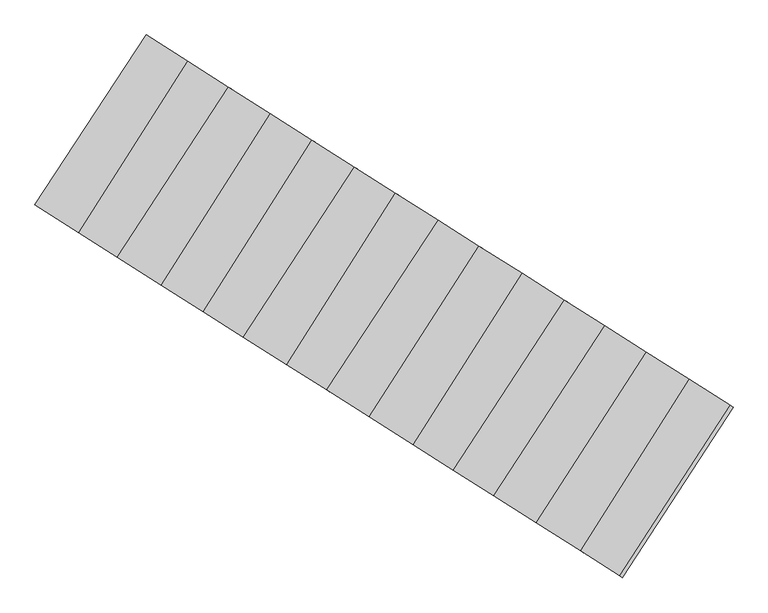
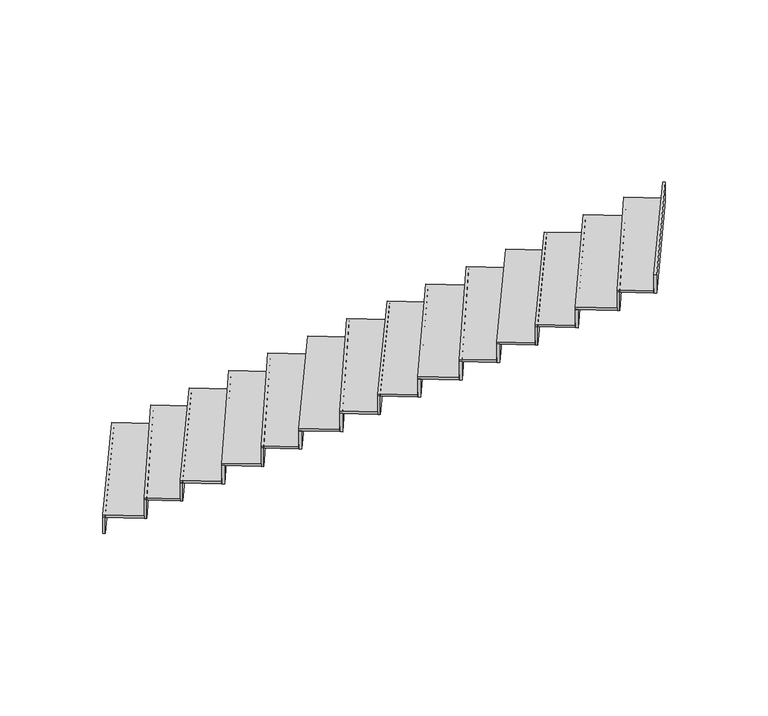
"""IFC4 building model written with IfcOpenShell, lengths in millimetres: stair flight geometry."""

from ifc_helpers import new_model, si_unit, frame, origin, place, context, project, spatial, polyline, outline, extrude, source, transform, mapped, element, save


def stair_flight_29e5afbc(model_context):
    return source(origin(), model_context, "Body", "SweptSolid", [
        extrude(outline(polyline([(-95152.8579667, 11849.6834681), (-95169.7486221, 11860.3970809), (-94518.0182588, 12857.2940315), (-94501.1276034, 12846.5804186), (-95152.8579667, 11849.6834681)])), frame((0.0, 0.0, -2446.5), z_axis=(0.0, 0.0, 1.0), x_axis=(1.0, 0.0, 0.0)), (0.0, 0.0, 1.0), 144.1864079),
        extrude(outline(polyline([(-94273.3338418, 12702.0925865), (-94911.2255683, 11696.4178951), (-95169.7486221, 11860.3970809), (-94518.0182588, 12857.2940315), (-94273.3338418, 12702.0925865)])), frame((0.0, 0.0, -2302.3135921), z_axis=(0.0, 0.0, 1.0), x_axis=(1.0, 0.0, 0.0)), (0.0, 0.0, 1.0), 20.0),
        extrude(outline(polyline([(-94894.3365118, 11685.7052964), (-94911.2255683, 11696.4178951), (-94273.3338418, 12702.0925865), (-94256.4447853, 12691.3799878), (-94894.3365118, 11685.7052964)])), frame((0.0, 0.0, -2302.3135921), z_axis=(0.0, 0.0, 1.0), x_axis=(1.0, 0.0, 0.0)), (0.0, 0.0, 1.0), 164.1864079),
        extrude(outline(polyline([(-94035.9117251, 12551.4975629), (-94687.6420883, 11554.6006124), (-94911.2255683, 11696.4178951), (-94273.3338418, 12702.0925865), (-94035.9117251, 12551.4975629)])), frame((0.0, 0.0, -2138.1271841), z_axis=(0.0, 0.0, 1.0), x_axis=(1.0, 0.0, 0.0)), (0.0, 0.0, 1.0), 20.0),
        extrude(outline(polyline([(-94670.7514329, 11543.8869995), (-94687.6420883, 11554.6006124), (-94035.9117251, 12551.4975629), (-94019.0210697, 12540.78395), (-94670.7514329, 11543.8869995)])), frame((0.0, 0.0, -2138.1271841), z_axis=(0.0, 0.0, 1.0), x_axis=(1.0, 0.0, 0.0)), (0.0, 0.0, 1.0), 164.1864079),
        extrude(outline(polyline([(-93790.860759, 12396.0636187), (-94428.7524855, 11390.3889273), (-94687.6420883, 11554.6006124), (-94035.9117251, 12551.4975629), (-93790.860759, 12396.0636187)])), frame((0.0, 0.0, -1973.9407762), z_axis=(0.0, 0.0, 1.0), x_axis=(1.0, 0.0, 0.0)), (0.0, 0.0, 1.0), 20.0),
        extrude(outline(polyline([(-94411.863429, 11379.6763286), (-94428.7524855, 11390.3889273), (-93790.860759, 12396.0636187), (-93773.9717025, 12385.35102), (-94411.863429, 11379.6763286)])), frame((0.0, 0.0, -1973.9407762), z_axis=(0.0, 0.0, 1.0), x_axis=(1.0, 0.0, 0.0)), (0.0, 0.0, 1.0), 164.1864079),
        extrude(outline(polyline([(-93545.8362889, 12240.6464808), (-94183.7280155, 11234.9717894), (-94428.7524855, 11390.3889273), (-93790.860759, 12396.0636187), (-93545.8362889, 12240.6464808)])), frame((0.0, 0.0, -1809.7543683), z_axis=(0.0, 0.0, 1.0), x_axis=(1.0, 0.0, 0.0)), (0.0, 0.0, 1.0), 20.0),
        extrude(outline(polyline([(-94166.838959, 11224.2591906), (-94183.7280155, 11234.9717894), (-93545.8362889, 12240.6464808), (-93528.9472325, 12229.9338821), (-94166.838959, 11224.2591906)])), frame((0.0, 0.0, -1809.7543683), z_axis=(0.0, 0.0, 1.0), x_axis=(1.0, 0.0, 0.0)), (0.0, 0.0, 1.0), 164.1864079),
        extrude(outline(polyline([(-93297.0741131, 12082.8585447), (-93948.8044763, 11085.9615942), (-94183.7280155, 11234.9717894), (-93545.8362889, 12240.6464808), (-93297.0741131, 12082.8585447)])), frame((0.0, 0.0, -1645.5679604), z_axis=(0.0, 0.0, 1.0), x_axis=(1.0, 0.0, 0.0)), (0.0, 0.0, 1.0), 20.0),
        extrude(outline(polyline([(-93931.9138209, 11075.2479813), (-93948.8044763, 11085.9615942), (-93297.0741131, 12082.8585447), (-93280.1834577, 12072.1449319), (-93931.9138209, 11075.2479813)])), frame((0.0, 0.0, -1645.5679604), z_axis=(0.0, 0.0, 1.0), x_axis=(1.0, 0.0, 0.0)), (0.0, 0.0, 1.0), 164.1864079),
        extrude(outline(polyline([(-93056.0776324, 11929.9963295), (-93693.969359, 10924.3216381), (-93948.8044763, 11085.9615942), (-93297.0741131, 12082.8585447), (-93056.0776324, 11929.9963295)])), frame((0.0, 0.0, -1481.3815524), z_axis=(0.0, 0.0, 1.0), x_axis=(1.0, 0.0, 0.0)), (0.0, 0.0, 1.0), 20.0),
        extrude(outline(polyline([(-93677.0803025, 10913.6090394), (-93693.969359, 10924.3216381), (-93056.0776324, 11929.9963295), (-93039.1885759, 11919.2837308), (-93677.0803025, 10913.6090394)])), frame((0.0, 0.0, -1481.3815524), z_axis=(0.0, 0.0, 1.0), x_axis=(1.0, 0.0, 0.0)), (0.0, 0.0, 1.0), 164.1864079),
        extrude(outline(polyline([(-92803.8099429, 11769.9848731), (-93459.4104347, 10775.5427154), (-93693.969359, 10924.3216381), (-93056.0776324, 11929.9963295), (-92803.8099429, 11769.9848731)])), frame((0.0, 0.0, -1317.1951445), z_axis=(0.0, 0.0, 1.0), x_axis=(1.0, 0.0, 0.0)), (0.0, 0.0, 1.0), 20.0),
        extrude(outline(polyline([(-93442.51876, 10764.828456), (-93459.4104347, 10775.5427154), (-92803.8099429, 11769.9848731), (-92786.9182682, 11759.2706137), (-93442.51876, 10764.828456)])), frame((0.0, 0.0, -1317.1951445), z_axis=(0.0, 0.0, 1.0), x_axis=(1.0, 0.0, 0.0)), (0.0, 0.0, 1.0), 164.1864079),
        extrude(outline(polyline([(-92565.5669299, 11618.8691613), (-93209.2639846, 10616.8767449), (-93459.4104347, 10775.5427154), (-92803.8099429, 11769.9848731), (-92565.5669299, 11618.8691613)])), frame((0.0, 0.0, -1153.0087366), z_axis=(0.0, 0.0, 1.0), x_axis=(1.0, 0.0, 0.0)), (0.0, 0.0, 1.0), 20.0),
        extrude(outline(polyline([(-93192.3746467, 10606.1639677), (-93209.2639846, 10616.8767449), (-92565.5669299, 11618.8691613), (-92548.677592, 11608.1563841), (-93192.3746467, 10606.1639677)])), frame((0.0, 0.0, -1153.0087366), z_axis=(0.0, 0.0, 1.0), x_axis=(1.0, 0.0, 0.0)), (0.0, 0.0, 1.0), 164.1864079),
        extrude(outline(polyline([(-92312.9591471, 11458.6419864), (-92950.8508737, 10452.9672949), (-93209.2639846, 10616.8767449), (-92565.5669299, 11618.8691613), (-92312.9591471, 11458.6419864)])), frame((0.0, 0.0, -988.8223286), z_axis=(0.0, 0.0, 1.0), x_axis=(1.0, 0.0, 0.0)), (0.0, 0.0, 1.0), 20.0),
        extrude(outline(polyline([(-92933.9618172, 10442.2546962), (-92950.8508737, 10452.9672949), (-92312.9591471, 11458.6419864), (-92296.0700906, 11447.9293877), (-92933.9618172, 10442.2546962)])), frame((0.0, 0.0, -988.8223286), z_axis=(0.0, 0.0, 1.0), x_axis=(1.0, 0.0, 0.0)), (0.0, 0.0, 1.0), 164.1864079),
        extrude(outline(polyline([(-92065.9505651, 11301.9663414), (-92717.7830941, 10305.1341939), (-92950.8508737, 10452.9672949), (-92312.9591471, 11458.6419864), (-92065.9505651, 11301.9663414)])), frame((0.0, 0.0, -824.6359207), z_axis=(0.0, 0.0, 1.0), x_axis=(1.0, 0.0, 0.0)), (0.0, 0.0, 1.0), 20.0),
        extrude(outline(polyline([(-92700.892415, 10294.4205659), (-92717.7830941, 10305.1341939), (-92065.9505651, 11301.9663414), (-92049.059886, 11291.2527135), (-92700.892415, 10294.4205659)])), frame((0.0, 0.0, -824.6359207), z_axis=(0.0, 0.0, 1.0), x_axis=(1.0, 0.0, 0.0)), (0.0, 0.0, 1.0), 164.1864079),
        extrude(outline(polyline([(-91827.6109409, 11150.7893498), (-92479.4434699, 10153.9572023), (-92717.7830941, 10305.1341939), (-92065.9505651, 11301.9663414), (-91827.6109409, 11150.7893498)])), frame((0.0, 0.0, -660.4495128), z_axis=(0.0, 0.0, 1.0), x_axis=(1.0, 0.0, 0.0)), (0.0, 0.0, 1.0), 20.0),
        extrude(outline(polyline([(-92462.5527908, 10143.2435743), (-92479.4434699, 10153.9572023), (-91827.6109409, 11150.7893498), (-91810.7202618, 11140.0757219), (-92462.5527908, 10143.2435743)])), frame((0.0, 0.0, -660.4495128), z_axis=(0.0, 0.0, 1.0), x_axis=(1.0, 0.0, 0.0)), (0.0, 0.0, 1.0), 164.1864079),
        extrude(outline(polyline([(-91585.9853332, 10997.5280841), (-92229.6823879, 9995.5356677), (-92479.4434699, 10153.9572023), (-91827.6109409, 11150.7893498), (-91585.9853332, 10997.5280841)])), frame((0.0, 0.0, -496.2631049), z_axis=(0.0, 0.0, 1.0), x_axis=(1.0, 0.0, 0.0)), (0.0, 0.0, 1.0), 20.0),
        extrude(outline(polyline([(-92212.79305, 9984.8228905), (-92229.6823879, 9995.5356677), (-91585.9853332, 10997.5280841), (-91569.0959953, 10986.8153069), (-92212.79305, 9984.8228905)])), frame((0.0, 0.0, -496.2631049), z_axis=(0.0, 0.0, 1.0), x_axis=(1.0, 0.0, 0.0)), (0.0, 0.0, 1.0), 164.1864079),
        extrude(outline(polyline([(-91332.2161697, 10836.5642543), (-91970.1078962, 9830.8895629), (-92229.6823879, 9995.5356677), (-91585.9853332, 10997.5280841), (-91332.2161697, 10836.5642543)])), frame((0.0, 0.0, -332.0766969), z_axis=(0.0, 0.0, 1.0), x_axis=(1.0, 0.0, 0.0)), (0.0, 0.0, 1.0), 20.0),
        extrude(outline(polyline([(-91953.2188397, 9820.1769642), (-91970.1078962, 9830.8895629), (-91332.2161697, 10836.5642543), (-91315.3271132, 10825.8516556), (-91953.2188397, 9820.1769642)])), frame((0.0, 0.0, -332.0766969), z_axis=(0.0, 0.0, 1.0), x_axis=(1.0, 0.0, 0.0)), (0.0, 0.0, 1.0), 164.1864079),
        extrude(outline(polyline([(-91724.38007, 9675.0262916), (-91741.2701558, 9685.7395432), (-91092.2752399, 10684.3715669), (-91075.3851541, 10673.6583154), (-91724.38007, 9675.0262916)])), frame((0.0, 0.0, -167.890289), z_axis=(0.0, 0.0, 1.0), x_axis=(1.0, 0.0, 0.0)), (0.0, 0.0, 1.0), 164.1864079),
        extrude(outline(polyline([(-91092.2752399, 10684.3715669), (-91741.2701558, 9685.7395432), (-91970.1078962, 9830.8895629), (-91332.2161697, 10836.5642543), (-91092.2752399, 10684.3715669)])), frame((0.0, 0.0, -167.890289), z_axis=(0.0, 0.0, 1.0), x_axis=(1.0, 0.0, 0.0)), (0.0, 0.0, 1.0), 20.0),
    ])


if __name__ == "__main__":
    model = new_model("IFC4")
    model_context = context("Model", 3, world=origin())
    ifc_project = project(units=[si_unit("LENGTHUNIT", "METRE", prefix="MILLI")], contexts=[model_context])
    site = spatial("IfcSite", under=ifc_project)
    building = spatial("IfcBuilding", under=site)
    placement = place(None, origin())
    stair_flight_shape = stair_flight_29e5afbc(model_context)
    element("IfcStairFlight", 1, at=placement, inside=building, context=model_context, shape_type="MappedRepresentation", body=[
        mapped(stair_flight_shape, transform((0.0, 0.0, 0.0), x_axis=(1.0, 0.0, 0.0), y_axis=(0.0, 1.0, 0.0), z_axis=(0.0, 0.0, 1.0))),
    ])
    save(model, "model.ifc")
